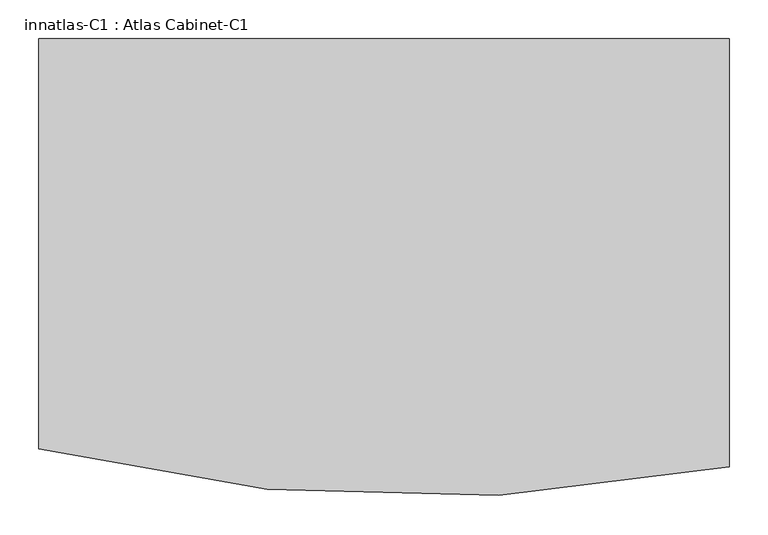
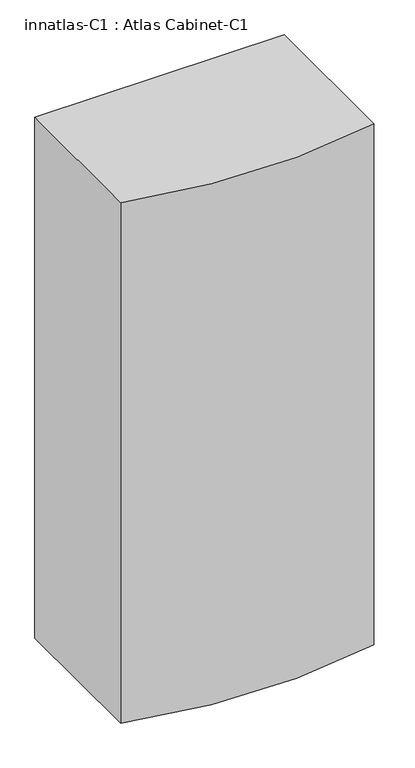
"""IFC4 building model written with IfcOpenShell, lengths in millimetres: proxy geometry, innatlas-C1 : Atlas Cabinet-C1."""

import ifcopenshell
import ifcopenshell.guid

model = None  # the IFC model being written
_history = None  # IfcOwnerHistory: only IFC2X3 demands one
_inside = {}  # id of a spatial element -> (the spatial element, [elements in it])
_under = {}  # id of a project, library or spatial element -> (it, [spatial elements below it])
_declared = {}  # id of a project -> (the project, [libraries it declares])
_typed = {}  # id of a type object -> (the type object, [elements of that type])
_made_of = {}  # id of a material, layer set ... -> (it, [elements and type objects made of it])


def new_model(schema):
    """Start an empty IFC model of exactly this schema.

    Asked for "IFC4X3", IfcOpenShell would pick the latest addendum, in which some entities
    have other attributes; the version numbers below select the first issue.
    IFC2X3 requires an IfcOwnerHistory on every rooted entity: one is made here for all.
    """
    global model, _history
    if schema == "IFC4X3":
        model = ifcopenshell.file(schema_version=(4, 3, 0, 0))
    else:
        model = ifcopenshell.file(schema=schema)
    _inside.clear()
    _under.clear()
    _declared.clear()
    _typed.clear()
    _made_of.clear()
    _history = None
    if model.schema == "IFC2X3":
        org = make("IfcOrganization", Name="unknown")
        user = make(
            "IfcPersonAndOrganization",
            ThePerson=make("IfcPerson", FamilyName="unknown"),
            TheOrganization=org,
        )
        app = make(
            "IfcApplication",
            ApplicationDeveloper=org,
            Version="unknown",
            ApplicationFullName="unknown",
            ApplicationIdentifier="unknown",
        )
        _history = make(
            "IfcOwnerHistory",
            OwningUser=user,
            OwningApplication=app,
            ChangeAction="ADDED",
            CreationDate=0,
        )
    return model


def make(cls, **values):
    """One entity of the class cls with the attributes given. An attribute that is None is left unset."""
    return model.create_entity(
        cls, **{name: value for name, value in values.items() if value is not None}
    )


def rooted(cls, **values):
    """An entity with a GlobalId (a new one), such as an element, a storey or a relation."""
    return make(cls, GlobalId=ifcopenshell.guid.new(), OwnerHistory=_history, **values)


def si_unit(unit_type, name, prefix=None):
    """IfcSIUnit, for example si_unit("LENGTHUNIT", "METRE", prefix="MILLI")."""
    return make("IfcSIUnit", UnitType=unit_type, Prefix=prefix, Name=name)


def assignment(units):
    """IfcUnitAssignment: the units of a project."""
    return None if units is None else make("IfcUnitAssignment", Units=units)


def point(xyz):
    """IfcCartesianPoint."""
    return None if xyz is None else make("IfcCartesianPoint", Coordinates=xyz)


def direction(xyz):
    """IfcDirection."""
    return None if xyz is None else make("IfcDirection", DirectionRatios=xyz)


def frame(location, z_axis=None, x_axis=None):
    """IfcAxis2Placement3D, a coordinate frame: its origin and axes. An axis left out is left unset."""
    return make(
        "IfcAxis2Placement3D",
        Location=point(location),
        Axis=direction(z_axis),
        RefDirection=direction(x_axis),
    )


def frame_2d(location, x_axis=None):
    """IfcAxis2Placement2D, a coordinate frame in the plane: its origin and x axis."""
    return make(
        "IfcAxis2Placement2D", Location=point(location), RefDirection=direction(x_axis)
    )


def origin():
    """The frame at (0, 0, 0) with its axes left unset."""
    return frame((0.0, 0.0, 0.0))


def origin_with_axes():
    """The frame at (0, 0, 0) with the z axis (0, 0, 1) and the x axis (1, 0, 0) written out."""
    return frame((0.0, 0.0, 0.0), z_axis=(0.0, 0.0, 1.0), x_axis=(1.0, 0.0, 0.0))


def place(relative_to, where):
    """IfcLocalPlacement: puts the frame where relative to a parent placement (None: the world)."""
    return make(
        "IfcLocalPlacement", PlacementRelTo=relative_to, RelativePlacement=where
    )


def context(
    kind, dimensions, precision=None, world=None, true_north=None, identifier=None
):
    """IfcGeometricRepresentationContext, for example the 3D "Model" context."""
    return make(
        "IfcGeometricRepresentationContext",
        ContextIdentifier=identifier,
        ContextType=kind,
        CoordinateSpaceDimension=dimensions,
        Precision=precision,
        WorldCoordinateSystem=world,
        TrueNorth=true_north,
    )


def project(units=None, contexts=None):
    """IfcProject with its units and contexts."""
    return rooted(
        "IfcProject",
        Name="project",
        RepresentationContexts=contexts,
        UnitsInContext=assignment(units),
    )


def spatial(cls, under=None, at=None, **own):
    """A site, building, storey or space (cls), placed at a placement, below another one or the project."""
    s = rooted(cls, ObjectPlacement=at, **own)
    if under is not None:
        _under.setdefault(under.id(), (under, []))[1].append(s)
    return s


def polyline(points):
    """IfcPolyline through the points."""
    return make("IfcPolyline", Points=[point(p) for p in points])


def circle_curve(where, radius):
    """IfcCircle in the frame where."""
    return make("IfcCircle", Position=where, Radius=radius)


def trimmed(basis, trim1, trim2, sense, master):
    """IfcTrimmedCurve: the piece of a basis curve between two trims."""
    return make(
        "IfcTrimmedCurve",
        BasisCurve=basis,
        Trim1=trim1,
        Trim2=trim2,
        SenseAgreement=sense,
        MasterRepresentation=master,
    )


def segment(curve, same_sense, transition):
    """IfcCompositeCurveSegment."""
    return make(
        "IfcCompositeCurveSegment",
        Transition=transition,
        SameSense=same_sense,
        ParentCurve=curve,
    )


def composite_curve(segments, self_intersect=None):
    """IfcCompositeCurve: segments joined end to end."""
    return make("IfcCompositeCurve", Segments=segments, SelfIntersect=self_intersect)


def outline(outer, holes=None, kind="AREA"):
    """IfcArbitraryClosedProfileDef: a profile drawn as a closed curve; with holes, ...WithVoids."""
    if holes is None:
        return make("IfcArbitraryClosedProfileDef", ProfileType=kind, OuterCurve=outer)
    return make(
        "IfcArbitraryProfileDefWithVoids",
        ProfileType=kind,
        OuterCurve=outer,
        InnerCurves=holes,
    )


def extrude(swept, where, along, depth):
    """IfcExtrudedAreaSolid: the profile swept, set in the frame where, extruded along a direction by depth."""
    return make(
        "IfcExtrudedAreaSolid",
        SweptArea=swept,
        Position=where,
        ExtrudedDirection=direction(along),
        Depth=depth,
    )


def shape(context_of_items, identifier, shape_type, items):
    """IfcShapeRepresentation: the items that make up one representation, for example the "Body"."""
    return make(
        "IfcShapeRepresentation",
        ContextOfItems=context_of_items,
        RepresentationIdentifier=identifier,
        RepresentationType=shape_type,
        Items=items,
    )


def source(mapping_origin, context_of_items, identifier, shape_type, items):
    """IfcRepresentationMap: a shape defined once, which mapped items show again and again."""
    return make(
        "IfcRepresentationMap",
        MappingOrigin=mapping_origin,
        MappedRepresentation=shape(context_of_items, identifier, shape_type, items),
    )


def transform(
    local_origin,
    x_axis=None,
    y_axis=None,
    z_axis=None,
    scale=None,
    scale2=None,
    scale3=None,
    uniform=True,
):
    """IfcCartesianTransformationOperator3D, or its non-uniform kind. x_axis, y_axis, z_axis: its Axis1, 2, 3."""
    if uniform:
        return make(
            "IfcCartesianTransformationOperator3D",
            Axis1=direction(x_axis),
            Axis2=direction(y_axis),
            LocalOrigin=point(local_origin),
            Scale=scale,
            Axis3=direction(z_axis),
        )
    return make(
        "IfcCartesianTransformationOperator3DnonUniform",
        Axis1=direction(x_axis),
        Axis2=direction(y_axis),
        LocalOrigin=point(local_origin),
        Scale=scale,
        Axis3=direction(z_axis),
        Scale2=scale2,
        Scale3=scale3,
    )


def mapped(mapping_source, mapping_target):
    """IfcMappedItem: shows the shape of a source again, moved by a transform."""
    return make(
        "IfcMappedItem", MappingSource=mapping_source, MappingTarget=mapping_target
    )


def made_of(thing, what):
    """Note that an element or type object is made of a material, layer set ...; save() writes the relation."""
    if what is not None:
        _made_of.setdefault(what.id(), (what, []))[1].append(thing)
    return thing


def element(
    cls,
    number,
    at=None,
    inside=None,
    cuts=None,
    type_object=None,
    material=None,
    context=None,
    identifier="Body",
    shape_type=None,
    held_by="IfcProductDefinitionShape",
    body=None,
    shapes=None,
    **own,
):
    """One element of the class cls, such as IfcWall. Its Tag is "e" and its number.

    at: its placement. inside: the storey or other place that contains it. cuts: it is an
    opening in that element (IfcRelVoidsElement). A single representation is given by context,
    identifier, shape_type and body (its items); several are given by shapes. held_by: the class
    of the entity that holds the representations. save() writes the other relations.
    """
    e = rooted(cls, Tag="e%d" % number, ObjectPlacement=at, **own)
    if body is not None:
        shapes = [shape(context, identifier, shape_type, body)]
    if shapes is not None:
        e.Representation = make(held_by, Representations=shapes)
    if inside is not None:
        _inside.setdefault(inside.id(), (inside, []))[1].append(e)
    if cuts is not None:
        rooted(
            "IfcRelVoidsElement", RelatingBuildingElement=cuts, RelatedOpeningElement=e
        )
    if type_object is not None:
        _typed.setdefault(type_object.id(), (type_object, []))[1].append(e)
    return made_of(e, material)


def aggregate(whole, parts):
    """IfcRelAggregates: a whole, such as a stair, and the parts it consists of."""
    return rooted("IfcRelAggregates", RelatingObject=whole, RelatedObjects=parts)


def save(model, path):
    """Write the relations noted so far, then the file.

    IfcRelAggregates (storeys below a building ...), IfcRelContainedInSpatialStructure (elements
    in a storey), IfcRelDefinesByType, IfcRelAssociatesMaterial and IfcRelDeclares: one each for
    every whole, place, type object, material and project.
    """
    for whole, parts in _under.values():
        aggregate(whole, parts)
    for where, things in _inside.values():
        rooted(
            "IfcRelContainedInSpatialStructure",
            RelatedElements=things,
            RelatingStructure=where,
        )
    for kind, things in _typed.values():
        rooted("IfcRelDefinesByType", RelatedObjects=things, RelatingType=kind)
    for what, things in _made_of.values():
        rooted("IfcRelAssociatesMaterial", RelatedObjects=things, RelatingMaterial=what)
    for by, libraries in _declared.values():
        rooted("IfcRelDeclares", RelatingContext=by, RelatedDefinitions=libraries)
    model.write(path)


def innatlas_c1_atlas_cabinet_c1_b593af06(model_context):
    return source(origin(), model_context, "Body", "SweptSolid", [
        extrude(outline(composite_curve([segment(trimmed(circle_curve(frame_2d((579.713497, 1863.6030248)), 1977.3567172), [point((972.5434384, -74.3402727))], [point((86.7419319, -51.3169796))], False, "CARTESIAN"), True, "CONTINUOUS"), segment(polyline([(86.7419319, -51.3169796), (86.7419319, 475.2411554), (972.5434384, 475.2411554), (972.5434384, -74.3402727)]), True, "CONTINUOUS")], self_intersect=False)), origin_with_axes(), (0.0, 0.0, 1.0), 1955.8),
    ])


if __name__ == "__main__":
    model = new_model("IFC4")
    model_context = context("Model", 3, world=origin())
    ifc_project = project(units=[si_unit("LENGTHUNIT", "METRE", prefix="MILLI")], contexts=[model_context])
    site = spatial("IfcSite", under=ifc_project)
    building = spatial("IfcBuilding", under=site)
    placement = place(None, origin())
    innatlas_c1_atlas_cabinet_c1_shape = innatlas_c1_atlas_cabinet_c1_b593af06(model_context)
    element("IfcBuildingElementProxy", 1, Name="innatlas-C1 : Atlas Cabinet-C1", ObjectType="innatlas-C1 : Atlas Cabinet-C1", at=placement, inside=building, context=model_context, shape_type="MappedRepresentation", body=[
        mapped(innatlas_c1_atlas_cabinet_c1_shape, transform((0.0, 0.0, 0.0), x_axis=(1.0, 0.0, 0.0), y_axis=(0.0, 1.0, 0.0), z_axis=(0.0, 0.0, 1.0))),
    ])
    save(model, "model.ifc")
